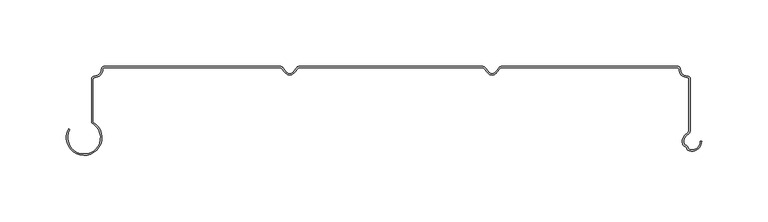
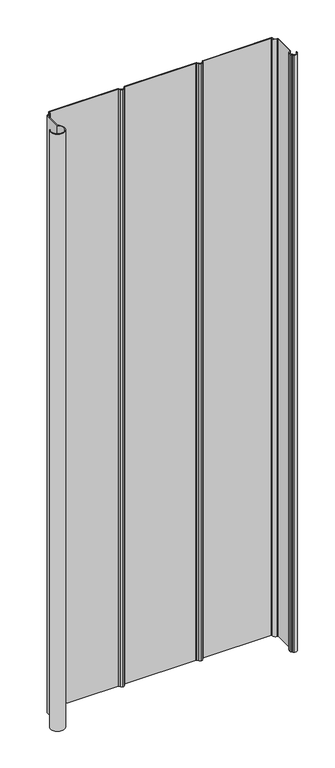
"""IFC4 building model written with IfcOpenShell, lengths in millimetres: plate geometry."""

from ifc_helpers import new_model, si_unit, point, frame_2d, origin, origin_with_axes, place, context, project, spatial, polyline, circle_curve, trimmed, segment, composite_curve, outline, extrude, source, transform, mapped, element, save


def plate_2d15695d(model_context):
    return source(origin(), model_context, "Body", "SweptSolid", [
        extrude(outline(composite_curve([segment(trimmed(circle_curve(frame_2d((-230.9805882, -53.5211117)), 13.3973418), [point((-224.309, -41.9030792))], [point((-242.7360422, -47.0947543))], False, "CARTESIAN"), True, "CONTINUOUS"), segment(polyline([(-242.7360422, -47.0947543), (-241.8445563, -47.5821032)]), True, "CONTINUOUS"), segment(trimmed(circle_curve(frame_2d((-230.9805882, -53.5211117)), 12.3813418), [point((-241.8445563, -47.5821032))], [point((-225.325, -42.5069414))], True, "CARTESIAN"), True, "CONTINUOUS"), segment(polyline([(-225.325, -42.5069414), (-225.325, -9.5312641)]), True, "CONTINUOUS"), segment(trimmed(circle_curve(frame_2d((-223.0540095, -9.5312641)), 2.2709905), [point((-225.325, -9.5312641))], [point((-223.0540095, -7.2602736))], False, "CARTESIAN"), True, "CONTINUOUS"), segment(trimmed(circle_curve(frame_2d((-223.0540096, -2.11836)), 5.1419136), [point((-223.0540095, -7.2602736))], [point((-217.912096, -2.11836))], True, "CARTESIAN"), True, "CONTINUOUS"), segment(trimmed(circle_curve(frame_2d((-215.793736, -2.11836)), 2.11836), [point((-217.912096, -2.11836))], [point((-215.793736, 0.0))], False, "CARTESIAN"), True, "CONTINUOUS"), segment(polyline([(-215.793736, 0.0), (-83.0346315, 0.0)]), True, "CONTINUOUS"), segment(trimmed(circle_curve(frame_2d((-83.3085474, -2.326443)), 2.342513), [point((-83.0346315, 0.0))], [point((-81.3507042, -1.0402792))], False, "CARTESIAN"), True, "CONTINUOUS"), segment(polyline([(-81.3507042, -1.0402792), (-79.1041438, -3.8194803)]), True, "CONTINUOUS"), segment(trimmed(circle_curve(frame_2d((-75.8559028, -1.6534664)), 3.9041883), [point((-79.1041438, -3.8194803))], [point((-76.1666667, -5.545267))], True, "CARTESIAN"), True, "CONTINUOUS"), segment(trimmed(circle_curve(frame_2d((-76.4766512, -1.6534042)), 3.9041883), [point((-76.1666667, -5.545267))], [point((-73.228844, -3.8200686))], True, "CARTESIAN"), True, "CONTINUOUS"), segment(polyline([(-73.228844, -3.8200686), (-70.9760836, -1.0343389)]), True, "CONTINUOUS"), segment(trimmed(circle_curve(frame_2d((-69.0273992, -2.3343375)), 2.342513), [point((-70.9760836, -1.0343389))], [point((-69.2229384, 0.0))], False, "CARTESIAN"), True, "CONTINUOUS"), segment(polyline([(-69.2229384, 0.0), (69.2987801, 0.0)]), True, "CONTINUOUS"), segment(trimmed(circle_curve(frame_2d((69.0248642, -2.326443)), 2.342513), [point((69.2987801, 0.0))], [point((70.9827074, -1.0402792))], False, "CARTESIAN"), True, "CONTINUOUS"), segment(polyline([(70.9827074, -1.0402792), (73.2292678, -3.8194803)]), True, "CONTINUOUS"), segment(trimmed(circle_curve(frame_2d((76.4775088, -1.6534664)), 3.9041883), [point((73.2292678, -3.8194803))], [point((76.1667449, -5.545267))], True, "CARTESIAN"), True, "CONTINUOUS"), segment(trimmed(circle_curve(frame_2d((75.8567604, -1.6534042)), 3.9041883), [point((76.1667449, -5.545267))], [point((79.1045676, -3.8200686))], True, "CARTESIAN"), True, "CONTINUOUS"), segment(polyline([(79.1045676, -3.8200686), (81.357328, -1.0343389)]), True, "CONTINUOUS"), segment(trimmed(circle_curve(frame_2d((83.3060124, -2.3343375)), 2.342513), [point((81.357328, -1.0343389))], [point((83.1104732, 0.0))], False, "CARTESIAN"), True, "CONTINUOUS"), segment(polyline([(83.1104732, 0.0), (215.793736, 0.0)]), True, "CONTINUOUS"), segment(trimmed(circle_curve(frame_2d((215.793736, -2.11836)), 2.11836), [point((215.793736, 0.0))], [point((217.912096, -2.11836))], False, "CARTESIAN"), True, "CONTINUOUS"), segment(trimmed(circle_curve(frame_2d((223.0540096, -2.11836)), 5.1419136), [point((217.912096, -2.11836))], [point((223.0540095, -7.2602736))], True, "CARTESIAN"), True, "CONTINUOUS"), segment(trimmed(circle_curve(frame_2d((223.0540095, -9.5312641)), 2.2709905), [point((223.0540095, -7.2602736))], [point((225.325, -9.5312641))], False, "CARTESIAN"), True, "CONTINUOUS"), segment(polyline([(225.325, -9.5312641), (225.325, -48.2559169)]), True, "CONTINUOUS"), segment(trimmed(circle_curve(frame_2d((222.15, -48.2559169)), 3.175), [point((225.325, -48.2559169))], [point((223.6667507, -51.0451986))], False, "CARTESIAN"), True, "CONTINUOUS"), segment(trimmed(circle_curve(frame_2d((226.6370542, -56.5075419)), 6.2177083), [point((223.6667507, -51.0451986))], [point((220.6477311, -58.1772442))], True, "CARTESIAN"), True, "CONTINUOUS"), segment(trimmed(circle_curve(frame_2d((222.1769199, -57.7509372)), 1.5875), [point((220.6477311, -58.1772442))], [point((221.8615587, -59.3067983))], True, "CARTESIAN"), True, "CONTINUOUS"), segment(trimmed(circle_curve(frame_2d((221.4071199, -61.5488102)), 2.287604), [point((221.8615587, -59.3067983))], [point((223.6643085, -61.1770147))], False, "CARTESIAN"), True, "CONTINUOUS"), segment(trimmed(circle_curve(frame_2d((225.2307015, -60.9190044)), 1.5875), [point((223.6643085, -61.1770147))], [point((224.7485234, -62.4315058))], True, "CARTESIAN"), True, "CONTINUOUS"), segment(trimmed(circle_curve(frame_2d((226.6370542, -56.5075419)), 6.2177083), [point((224.7485234, -62.4315058))], [point((232.8546727, -56.4741188))], True, "CARTESIAN"), True, "CONTINUOUS"), segment(polyline([(232.8546727, -56.4741188), (233.870658, -56.4686573)]), True, "CONTINUOUS"), segment(trimmed(circle_curve(frame_2d((226.6370542, -56.5075419)), 7.2337083), [point((233.870658, -56.4686573))], [point((224.4399294, -63.3995067))], False, "CARTESIAN"), True, "CONTINUOUS"), segment(trimmed(circle_curve(frame_2d((225.2307015, -60.9190044)), 2.6035), [point((224.4399294, -63.3995067))], [point((222.661817, -61.3421413))], False, "CARTESIAN"), True, "CONTINUOUS"), segment(trimmed(circle_curve(frame_2d((221.4071199, -61.5488102)), 1.271604), [point((222.661817, -61.3421413))], [point((221.6597275, -60.3025493))], True, "CARTESIAN"), True, "CONTINUOUS"), segment(trimmed(circle_curve(frame_2d((222.1769199, -57.7509372)), 2.6035), [point((221.6597275, -60.3025493))], [point((219.6690502, -58.4500807))], False, "CARTESIAN"), True, "CONTINUOUS"), segment(trimmed(circle_curve(frame_2d((226.6370542, -56.5075419)), 7.2337083), [point((219.6690502, -58.4500807))], [point((223.1813905, -50.1526285))], False, "CARTESIAN"), True, "CONTINUOUS"), segment(trimmed(circle_curve(frame_2d((222.15, -48.2559169)), 2.159), [point((223.1813905, -50.1526285))], [point((224.309, -48.2559169))], True, "CARTESIAN"), True, "CONTINUOUS"), segment(polyline([(224.309, -48.2559169), (224.309, -9.5312641)]), True, "CONTINUOUS"), segment(trimmed(circle_curve(frame_2d((223.0540095, -9.5312641)), 1.2549905), [point((224.309, -9.5312641))], [point((223.0540095, -8.2762736))], True, "CARTESIAN"), True, "CONTINUOUS"), segment(trimmed(circle_curve(frame_2d((223.0540096, -2.11836)), 6.1579136), [point((223.0540095, -8.2762736))], [point((216.896096, -2.11836))], False, "CARTESIAN"), True, "CONTINUOUS"), segment(trimmed(circle_curve(frame_2d((215.793736, -2.11836)), 1.10236), [point((216.896096, -2.11836))], [point((215.793736, -1.016))], True, "CARTESIAN"), True, "CONTINUOUS"), segment(polyline([(215.793736, -1.016), (83.1740559, -1.016)]), True, "CONTINUOUS"), segment(trimmed(circle_curve(frame_2d((83.322607, -2.5773046)), 1.5683556), [point((83.1740559, -1.016))], [point((82.0454314, -1.6670508))], True, "CARTESIAN"), True, "CONTINUOUS"), segment(polyline([(82.0454314, -1.6670508), (79.792671, -4.4527805)]), True, "CONTINUOUS"), segment(trimmed(circle_curve(frame_2d((75.8567604, -1.8877792)), 4.6979383), [point((79.792671, -4.4527805))], [point((76.1666667, -6.5754846))], False, "CARTESIAN"), True, "CONTINUOUS"), segment(trimmed(circle_curve(frame_2d((76.4775087, -1.8878413)), 4.6979382), [point((76.1666667, -6.5754846))], [point((72.5410846, -4.4520544))], False, "CARTESIAN"), True, "CONTINUOUS"), segment(polyline([(72.5410846, -4.4520544), (70.2888821, -1.6658736)]), True, "CONTINUOUS"), segment(trimmed(circle_curve(frame_2d((69.0146006, -2.5726732)), 1.5639945), [point((70.2888821, -1.6658736))], [point((69.1657538, -1.016))], True, "CARTESIAN"), True, "CONTINUOUS"), segment(polyline([(69.1657538, -1.016), (-69.1593556, -1.016)]), True, "CONTINUOUS"), segment(trimmed(circle_curve(frame_2d((-69.0108046, -2.5773046)), 1.5683556), [point((-69.1593556, -1.016))], [point((-70.2879801, -1.6670508))], True, "CARTESIAN"), True, "CONTINUOUS"), segment(polyline([(-70.2879801, -1.6670508), (-72.5407406, -4.4527805)]), True, "CONTINUOUS"), segment(trimmed(circle_curve(frame_2d((-76.4766512, -1.8877792)), 4.6979383), [point((-72.5407406, -4.4527805))], [point((-76.1667449, -6.5754846))], False, "CARTESIAN"), True, "CONTINUOUS"), segment(trimmed(circle_curve(frame_2d((-75.8559029, -1.8878413)), 4.6979382), [point((-76.1667449, -6.5754846))], [point((-79.792327, -4.4520544))], False, "CARTESIAN"), True, "CONTINUOUS"), segment(polyline([(-79.792327, -4.4520544), (-82.0445295, -1.6658736)]), True, "CONTINUOUS"), segment(trimmed(circle_curve(frame_2d((-83.3188109, -2.5726732)), 1.5639945), [point((-82.0445295, -1.6658736))], [point((-83.1676578, -1.016))], True, "CARTESIAN"), True, "CONTINUOUS"), segment(polyline([(-83.1676578, -1.016), (-215.793736, -1.016)]), True, "CONTINUOUS"), segment(trimmed(circle_curve(frame_2d((-215.793736, -2.11836)), 1.10236), [point((-215.793736, -1.016))], [point((-216.896096, -2.11836))], True, "CARTESIAN"), True, "CONTINUOUS"), segment(trimmed(circle_curve(frame_2d((-223.0540096, -2.11836)), 6.1579136), [point((-216.896096, -2.11836))], [point((-223.0540095, -8.2762736))], False, "CARTESIAN"), True, "CONTINUOUS"), segment(trimmed(circle_curve(frame_2d((-223.0540095, -9.5312641)), 1.2549905), [point((-223.0540095, -8.2762736))], [point((-224.309, -9.5312641))], True, "CARTESIAN"), True, "CONTINUOUS"), segment(polyline([(-224.309, -9.5312641), (-224.309, -41.9030792)]), True, "CONTINUOUS")], self_intersect=False)), origin_with_axes(), (0.0, 0.0, 1.0), 1228.3559792),
    ])


if __name__ == "__main__":
    model = new_model("IFC4")
    model_context = context("Model", 3, world=origin())
    ifc_project = project(units=[si_unit("LENGTHUNIT", "METRE", prefix="MILLI")], contexts=[model_context])
    site = spatial("IfcSite", under=ifc_project)
    building = spatial("IfcBuilding", under=site)
    placement = place(None, origin())
    plate_shape = plate_2d15695d(model_context)
    element("IfcPlate", 1, at=placement, inside=building, context=model_context, shape_type="MappedRepresentation", body=[
        mapped(plate_shape, transform((0.0, 0.0, 0.0), x_axis=(1.0, 0.0, 0.0), y_axis=(0.0, 1.0, 0.0), z_axis=(0.0, 0.0, 1.0))),
    ])
    save(model, "model.ifc")
